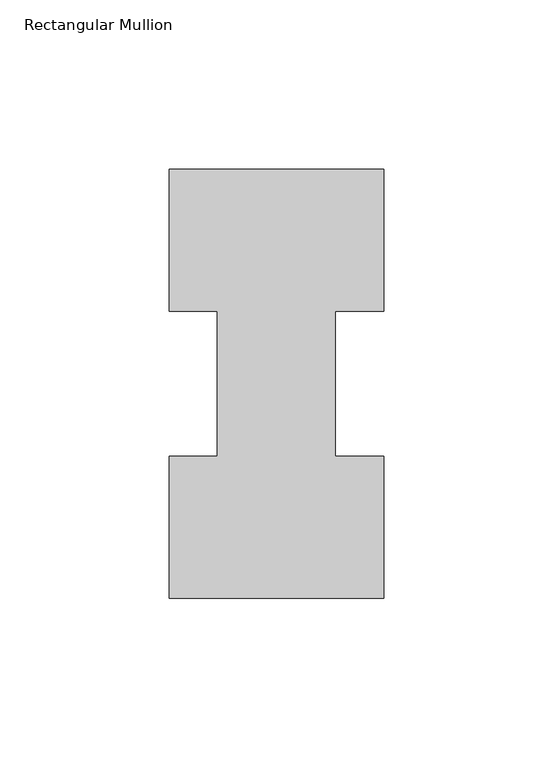
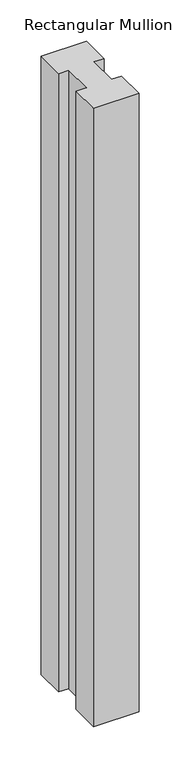
"""IFC4 building model written with IfcOpenShell, lengths in millimetres: member geometry, Rectangular Mullion."""

from ifc_helpers import new_model, si_unit, frame, origin, place, context, project, spatial, polyline, outline, extrude, source, transform, mapped, element, save


def rectangular_mullion_615bf3ae(model_context):
    return source(origin(), model_context, "Body", "SweptSolid", [
        extrude(outline(polyline([(-31.75, 126.7086937), (31.75, 126.7086937), (31.75, 84.6335938), (17.4625, 84.6335938), (17.4625, 41.7837938), (31.75, 41.7837938), (31.75, -0.2913063), (-31.75, -0.2913063), (-31.75, 41.7837938), (-17.4625, 41.7837938), (-17.4625, 84.6335938), (-31.75, 84.6335938), (-31.75, 126.7086937)])), frame((0.0, 0.0, -914.4), z_axis=(0.0, 0.0, 1.0), x_axis=(1.0, 0.0, 0.0)), (0.0, 0.0, 1.0), 914.4),
    ])


if __name__ == "__main__":
    model = new_model("IFC4")
    model_context = context("Model", 3, world=origin())
    ifc_project = project(units=[si_unit("LENGTHUNIT", "METRE", prefix="MILLI")], contexts=[model_context])
    site = spatial("IfcSite", under=ifc_project)
    building = spatial("IfcBuilding", under=site)
    placement = place(None, origin())
    rectangular_mullion_shape = rectangular_mullion_615bf3ae(model_context)
    element("IfcMember", 1, ObjectType="Rectangular Mullion", at=placement, inside=building, context=model_context, shape_type="MappedRepresentation", body=[
        mapped(rectangular_mullion_shape, transform((0.0, 0.0, 0.0), x_axis=(1.0, 0.0, 0.0), y_axis=(0.0, 1.0, 0.0), z_axis=(0.0, 0.0, 1.0))),
    ])
    save(model, "model.ifc")
